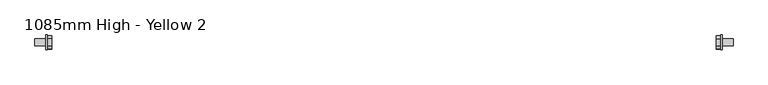
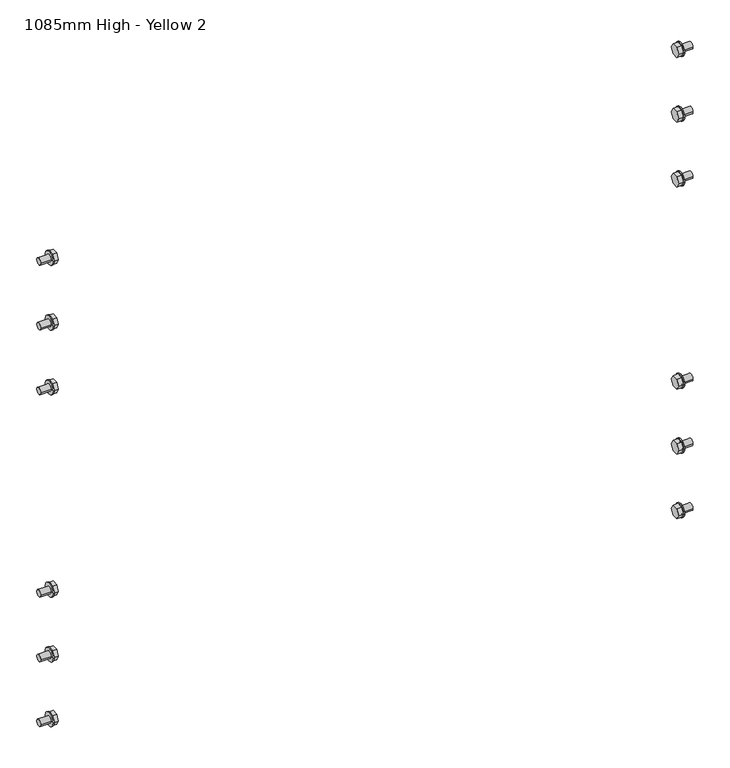
"""IFC4 building model written with IfcOpenShell, lengths in millimetres: proxy geometry, 1085mm High - Yellow 2."""

from ifc_helpers import new_model, si_unit, frame, origin, place, context, project, spatial, circle_curve, source, transform, mapped, element, save
from ifc_brep_helpers import plane_surface, cylinder_surface, advanced_brep


def proxy_1085mm_high_yellow_2_b2a6f86f(model_context):
    return source(origin(), model_context, "Body", "AdvancedBrep", [
        advanced_brep(
        [(1182.0, 6.0, 377.9554962), (1182.0, -6.0, 377.9554962), (1164.0, 6.0, 377.9554962), (1164.0, -6.0, 377.9554962), (1164.0, -12.0, 378.0), (1164.0, 12.0, 378.0), (1162.0, -12.0, 378.0), (1162.0, 12.0, 378.0), (1162.0, -5.4871529, 368.4514687), (1162.0, 5.4871529, 368.4514687), (1162.0, 10.9743057, 377.9554962), (1162.0, 5.4871529, 387.4595238), (1162.0, -5.4871529, 387.4595238), (1162.0, -10.9743057, 377.9554962), (1154.0, -5.4871529, 368.4514687), (1154.0, -10.9743057, 377.9554962), (1154.0, -5.4871529, 387.4595238), (1154.0, 5.4871529, 387.4595238), (1154.0, 10.9743057, 377.9554962), (1154.0, 5.4871529, 368.4514687)],
        [
            (0, 1, circle_curve(frame((1182.0, 0.0, 377.9554962), z_axis=(1.0, 0.0, 0.0), x_axis=(0.0, 1.0, 0.0)), 6.0)),
            (1, 0, circle_curve(frame((1182.0, 0.0, 377.9554962), z_axis=(1.0, 0.0, 0.0), x_axis=(0.0, 1.0, 0.0)), 6.0)),
            (0, 2),
            (2, 3, circle_curve(frame((1164.0, 0.0, 377.9554962), z_axis=(1.0, 0.0, 0.0), x_axis=(0.0, 1.0, 0.0)), 6.0)),
            (3, 1),
            (3, 2, circle_curve(frame((1164.0, 0.0, 377.9554962), z_axis=(1.0, 0.0, 0.0), x_axis=(0.0, 1.0, 0.0)), 6.0)),
            (4, 5, circle_curve(frame((1164.0, 0.0, 378.0), z_axis=(1.0, 0.0, 0.0), x_axis=(0.0, 1.0, 0.0)), 12.0)),
            (5, 4, circle_curve(frame((1164.0, 0.0, 378.0), z_axis=(1.0, 0.0, 0.0), x_axis=(0.0, 1.0, 0.0)), 12.0)),
            (6, 7, circle_curve(frame((1162.0, 0.0, 378.0), z_axis=(-1.0, 0.0, 0.0), x_axis=(0.0, 1.0, 0.0)), 12.0)),
            (7, 6, circle_curve(frame((1162.0, 0.0, 378.0), z_axis=(-1.0, 0.0, 0.0), x_axis=(0.0, 1.0, 0.0)), 12.0)),
            (8, 9),
            (9, 10),
            (10, 11),
            (11, 12),
            (12, 13),
            (13, 8),
            (4, 6),
            (7, 5),
            (14, 15),
            (15, 16),
            (16, 17),
            (17, 18),
            (18, 19),
            (19, 14),
            (19, 9),
            (8, 14),
            (18, 10),
            (17, 11),
            (16, 12),
            (15, 13),
        ],
        [
            plane_surface(frame((1182.0, 6.0, 377.9554962), z_axis=(1.0, 0.0, 0.0), x_axis=(0.0, 0.0, 1.0))),
            cylinder_surface(frame((1164.0, 0.0, 377.9554962), z_axis=(1.0, 0.0, 0.0), x_axis=(0.0, 1.0, 0.0)), 6.0),
            plane_surface(frame((1164.0, 12.0, 378.0), z_axis=(1.0, 0.0, 0.0), x_axis=(0.0, 0.0, 1.0))),
            plane_surface(frame((1162.0, 12.0, 378.0), z_axis=(-1.0, 0.0, 0.0), x_axis=(0.0, 0.0, -1.0))),
            cylinder_surface(frame((1162.0, 0.0, 378.0), z_axis=(1.0, 0.0, 0.0), x_axis=(0.0, 1.0, 0.0)), 12.0),
            plane_surface(frame((1154.0, -5.4871529, 368.4514687), z_axis=(-1.0, 0.0, 0.0), x_axis=(0.0, -1.0, 0.0))),
            plane_surface(frame((1164.0, -5.4871529, 368.4514687), z_axis=(0.0, 0.0, -1.0), x_axis=(-1.0, 0.0, 0.0))),
            plane_surface(frame((1164.0, 5.4871529, 368.4514687), z_axis=(0.0, 0.866025403784431, -0.5000000000000132), x_axis=(-1.0, 0.0, 0.0))),
            plane_surface(frame((1164.0, 10.9743057, 377.9554962), z_axis=(0.0, 0.8660254037844458, 0.4999999999999877), x_axis=(-1.0, 0.0, 0.0))),
            plane_surface(frame((1164.0, 5.4871529, 387.4595238), z_axis=(0.0, 0.0, 1.0), x_axis=(-1.0, 0.0, 0.0))),
            plane_surface(frame((1164.0, -5.4871529, 387.4595238), z_axis=(0.0, -0.8660254037844308, 0.5000000000000138), x_axis=(-1.0, 0.0, 0.0))),
            plane_surface(frame((1164.0, -10.9743057, 377.9554962), z_axis=(0.0, -0.8660254037844438, -0.4999999999999911), x_axis=(-1.0, 0.0, 0.0))),
        ],
        [
            (0, [[1, 2]]),
            (1, [[-1, 3, 4, 5]]),
            (1, [[-2, -5, 6, -3]]),
            (2, [[7, 8], [-4, -6]]),
            (3, [[9, 10], [11, 12, 13, 14, 15, 16]]),
            (4, [[-7, 17, -10, 18]]),
            (4, [[-8, -18, -9, -17]]),
            (5, [[19, 20, 21, 22, 23, 24]]),
            (6, [[-24, 25, -11, 26]]),
            (7, [[-23, 27, -12, -25]]),
            (8, [[-22, 28, -13, -27]]),
            (9, [[-21, 29, -14, -28]]),
            (10, [[-20, 30, -15, -29]]),
            (11, [[-19, -26, -16, -30]]),
        ],
    ),
        advanced_brep(
        [(1182.0, 6.0, 257.9554962), (1182.0, -6.0, 257.9554962), (1164.0, 6.0, 257.9554962), (1164.0, -6.0, 257.9554962), (1164.0, -12.0, 258.0), (1164.0, 12.0, 258.0), (1162.0, -12.0, 258.0), (1162.0, 12.0, 258.0), (1162.0, -5.5128471, 248.4069649), (1162.0, 5.5128471, 248.4069649), (1162.0, 11.0256943, 257.9554962), (1162.0, 5.5128471, 267.5040276), (1162.0, -5.5128471, 267.5040276), (1162.0, -11.0256943, 257.9554962), (1154.0, -5.5128471, 248.4069649), (1154.0, -11.0256943, 257.9554962), (1154.0, -5.5128471, 267.5040276), (1154.0, 5.5128471, 267.5040276), (1154.0, 11.0256943, 257.9554962), (1154.0, 5.5128471, 248.4069649)],
        [
            (0, 1, circle_curve(frame((1182.0, 0.0, 257.9554962), z_axis=(1.0, 0.0, 0.0), x_axis=(0.0, 1.0, 0.0)), 6.0)),
            (1, 0, circle_curve(frame((1182.0, 0.0, 257.9554962), z_axis=(1.0, 0.0, 0.0), x_axis=(0.0, 1.0, 0.0)), 6.0)),
            (0, 2),
            (2, 3, circle_curve(frame((1164.0, 0.0, 257.9554962), z_axis=(1.0, 0.0, 0.0), x_axis=(0.0, 1.0, 0.0)), 6.0)),
            (3, 1),
            (3, 2, circle_curve(frame((1164.0, 0.0, 257.9554962), z_axis=(1.0, 0.0, 0.0), x_axis=(0.0, 1.0, 0.0)), 6.0)),
            (4, 5, circle_curve(frame((1164.0, 0.0, 258.0), z_axis=(1.0, 0.0, 0.0), x_axis=(0.0, 1.0, 0.0)), 12.0)),
            (5, 4, circle_curve(frame((1164.0, 0.0, 258.0), z_axis=(1.0, 0.0, 0.0), x_axis=(0.0, 1.0, 0.0)), 12.0)),
            (6, 7, circle_curve(frame((1162.0, 0.0, 258.0), z_axis=(-1.0, 0.0, 0.0), x_axis=(0.0, 1.0, 0.0)), 12.0)),
            (7, 6, circle_curve(frame((1162.0, 0.0, 258.0), z_axis=(-1.0, 0.0, 0.0), x_axis=(0.0, 1.0, 0.0)), 12.0)),
            (8, 9),
            (9, 10),
            (10, 11),
            (11, 12),
            (12, 13),
            (13, 8),
            (4, 6),
            (7, 5),
            (14, 15),
            (15, 16),
            (16, 17),
            (17, 18),
            (18, 19),
            (19, 14),
            (19, 9),
            (8, 14),
            (18, 10),
            (17, 11),
            (16, 12),
            (15, 13),
        ],
        [
            plane_surface(frame((1182.0, 6.0, 377.9554962), z_axis=(1.0, 0.0, 0.0), x_axis=(0.0, 0.0, 1.0))),
            cylinder_surface(frame((1164.0, 0.0, 257.9554962), z_axis=(1.0, 0.0, 0.0), x_axis=(0.0, 1.0, 0.0)), 6.0),
            plane_surface(frame((1164.0, 12.0, 378.0), z_axis=(1.0, 0.0, 0.0), x_axis=(0.0, 0.0, 1.0))),
            plane_surface(frame((1162.0, 12.0, 378.0), z_axis=(-1.0, 0.0, 0.0), x_axis=(0.0, 0.0, -1.0))),
            cylinder_surface(frame((1164.0, 0.0, 258.0), z_axis=(1.0, 0.0, 0.0), x_axis=(0.0, 1.0, 0.0)), 12.0),
            plane_surface(frame((1154.0, -5.4871529, 368.4514687), z_axis=(-1.0, 0.0, 0.0), x_axis=(0.0, -1.0, 0.0))),
            plane_surface(frame((1164.0, -5.5128471, 248.4069649), z_axis=(0.0, 0.0, -1.0), x_axis=(-1.0, 0.0, 0.0))),
            plane_surface(frame((1164.0, 5.5128471, 248.4069649), z_axis=(0.0, 0.8660254037844325, -0.5000000000000109), x_axis=(-1.0, 0.0, 0.0))),
            plane_surface(frame((1164.0, 11.0256943, 257.9554962), z_axis=(0.0, 0.8660254037844445, 0.49999999999998995), x_axis=(-1.0, 0.0, 0.0))),
            plane_surface(frame((1164.0, 5.5128471, 267.5040276), z_axis=(0.0, 0.0, 1.0), x_axis=(-1.0, 0.0, 0.0))),
            plane_surface(frame((1164.0, -5.5128471, 267.5040276), z_axis=(0.0, -0.8660254037844318, 0.500000000000012), x_axis=(-1.0, 0.0, 0.0))),
            plane_surface(frame((1164.0, -11.0256943, 257.9554962), z_axis=(0.0, -0.8660254037844438, -0.4999999999999911), x_axis=(-1.0, 0.0, 0.0))),
        ],
        [
            (0, [[1, 2]]),
            (1, [[-1, 3, 4, 5]]),
            (1, [[-2, -5, 6, -3]]),
            (2, [[7, 8], [-4, -6]]),
            (3, [[9, 10], [11, 12, 13, 14, 15, 16]]),
            (4, [[-7, 17, -10, 18]]),
            (4, [[-8, -18, -9, -17]]),
            (5, [[19, 20, 21, 22, 23, 24]]),
            (6, [[-24, 25, -11, 26]]),
            (7, [[-23, 27, -12, -25]]),
            (8, [[-22, 28, -13, -27]]),
            (9, [[-21, 29, -14, -28]]),
            (10, [[-20, 30, -15, -29]]),
            (11, [[-19, -26, -16, -30]]),
        ],
    ),
        advanced_brep(
        [(1182.0, 6.0, 137.9554962), (1182.0, -6.0, 137.9554962), (1164.0, 6.0, 137.9554962), (1164.0, -6.0, 137.9554962), (1164.0, -12.0, 138.0), (1164.0, 12.0, 138.0), (1162.0, -12.0, 138.0), (1162.0, 12.0, 138.0), (1162.0, -5.4871529, 128.4514687), (1162.0, 5.4871529, 128.4514687), (1162.0, 10.9743057, 137.9554962), (1162.0, 5.4871529, 147.4595238), (1162.0, -5.4871529, 147.4595238), (1162.0, -10.9743057, 137.9554962), (1154.0, -5.4871529, 128.4514687), (1154.0, -10.9743057, 137.9554962), (1154.0, -5.4871529, 147.4595238), (1154.0, 5.4871529, 147.4595238), (1154.0, 10.9743057, 137.9554962), (1154.0, 5.4871529, 128.4514687)],
        [
            (0, 1, circle_curve(frame((1182.0, 0.0, 137.9554962), z_axis=(1.0, 0.0, 0.0), x_axis=(0.0, 1.0, 0.0)), 6.0)),
            (1, 0, circle_curve(frame((1182.0, 0.0, 137.9554962), z_axis=(1.0, 0.0, 0.0), x_axis=(0.0, 1.0, 0.0)), 6.0)),
            (0, 2),
            (2, 3, circle_curve(frame((1164.0, 0.0, 137.9554962), z_axis=(1.0, 0.0, 0.0), x_axis=(0.0, 1.0, 0.0)), 6.0)),
            (3, 1),
            (3, 2, circle_curve(frame((1164.0, 0.0, 137.9554962), z_axis=(1.0, 0.0, 0.0), x_axis=(0.0, 1.0, 0.0)), 6.0)),
            (4, 5, circle_curve(frame((1164.0, 0.0, 138.0), z_axis=(1.0, 0.0, 0.0), x_axis=(0.0, 1.0, 0.0)), 12.0)),
            (5, 4, circle_curve(frame((1164.0, 0.0, 138.0), z_axis=(1.0, 0.0, 0.0), x_axis=(0.0, 1.0, 0.0)), 12.0)),
            (6, 7, circle_curve(frame((1162.0, 0.0, 138.0), z_axis=(-1.0, 0.0, 0.0), x_axis=(0.0, 1.0, 0.0)), 12.0)),
            (7, 6, circle_curve(frame((1162.0, 0.0, 138.0), z_axis=(-1.0, 0.0, 0.0), x_axis=(0.0, 1.0, 0.0)), 12.0)),
            (8, 9),
            (9, 10),
            (10, 11),
            (11, 12),
            (12, 13),
            (13, 8),
            (4, 6),
            (7, 5),
            (14, 15),
            (15, 16),
            (16, 17),
            (17, 18),
            (18, 19),
            (19, 14),
            (19, 9),
            (8, 14),
            (18, 10),
            (17, 11),
            (16, 12),
            (15, 13),
        ],
        [
            plane_surface(frame((1182.0, 6.0, 377.9554962), z_axis=(1.0, 0.0, 0.0), x_axis=(0.0, 0.0, 1.0))),
            cylinder_surface(frame((1164.0, 0.0, 137.9554962), z_axis=(1.0, 0.0, 0.0), x_axis=(0.0, 1.0, 0.0)), 6.0),
            plane_surface(frame((1164.0, 12.0, 378.0), z_axis=(1.0, 0.0, 0.0), x_axis=(0.0, 0.0, 1.0))),
            plane_surface(frame((1162.0, 12.0, 378.0), z_axis=(-1.0, 0.0, 0.0), x_axis=(0.0, 0.0, -1.0))),
            cylinder_surface(frame((1164.0, 0.0, 138.0), z_axis=(1.0, 0.0, 0.0), x_axis=(0.0, 1.0, 0.0)), 12.0),
            plane_surface(frame((1154.0, -5.4871529, 368.4514687), z_axis=(-1.0, 0.0, 0.0), x_axis=(0.0, -1.0, 0.0))),
            plane_surface(frame((1164.0, -5.4871529, 128.4514687), z_axis=(0.0, 0.0, -1.0), x_axis=(-1.0, 0.0, 0.0))),
            plane_surface(frame((1164.0, 5.4871529, 128.4514687), z_axis=(0.0, 0.8660254037844333, -0.5000000000000094), x_axis=(-1.0, 0.0, 0.0))),
            plane_surface(frame((1164.0, 10.9743057, 137.9554962), z_axis=(0.0, 0.8660254037844444, 0.49999999999999006), x_axis=(-1.0, 0.0, 0.0))),
            plane_surface(frame((1164.0, 5.4871529, 147.4595238), z_axis=(0.0, 0.0, 1.0), x_axis=(-1.0, 0.0, 0.0))),
            plane_surface(frame((1164.0, -5.4871529, 147.4595238), z_axis=(0.0, -0.8660254037844314, 0.5000000000000128), x_axis=(-1.0, 0.0, 0.0))),
            plane_surface(frame((1164.0, -10.9743057, 137.9554962), z_axis=(0.0, -0.8660254037844438, -0.49999999999999123), x_axis=(-1.0, 0.0, 0.0))),
        ],
        [
            (0, [[1, 2]]),
            (1, [[-1, 3, 4, 5]]),
            (1, [[-2, -5, 6, -3]]),
            (2, [[7, 8], [-4, -6]]),
            (3, [[9, 10], [11, 12, 13, 14, 15, 16]]),
            (4, [[-7, 17, -10, 18]]),
            (4, [[-8, -18, -9, -17]]),
            (5, [[19, 20, 21, 22, 23, 24]]),
            (6, [[-24, 25, -11, 26]]),
            (7, [[-23, 27, -12, -25]]),
            (8, [[-22, 28, -13, -27]]),
            (9, [[-21, 29, -14, -28]]),
            (10, [[-20, 30, -15, -29]]),
            (11, [[-19, -26, -16, -30]]),
        ],
    ),
        advanced_brep(
        [(1182.0, -6.0, 993.0), (1182.0, 6.0, 993.0), (1164.0, -6.0, 993.0), (1164.0, 6.0, 993.0), (1164.0, -12.0, 993.0), (1164.0, 12.0, 993.0), (1162.0, -12.0, 993.0), (1162.0, 12.0, 993.0), (1162.0, -5.5, 983.4737206), (1162.0, 5.5, 983.4737206), (1162.0, 11.0, 993.0), (1162.0, 5.5, 1002.5262794), (1162.0, -5.5, 1002.5262794), (1162.0, -11.0, 993.0), (1154.0, -5.5, 983.4737206), (1154.0, -11.0, 993.0), (1154.0, -5.5, 1002.5262794), (1154.0, 5.5, 1002.5262794), (1154.0, 11.0, 993.0), (1154.0, 5.5, 983.4737206)],
        [
            (0, 1, circle_curve(frame((1182.0, 0.0, 993.0), z_axis=(1.0, 0.0, 0.0), x_axis=(0.0, 1.0, 0.0)), 6.0)),
            (1, 0, circle_curve(frame((1182.0, 0.0, 993.0), z_axis=(1.0, 0.0, 0.0), x_axis=(0.0, 1.0, 0.0)), 6.0)),
            (0, 2),
            (2, 3, circle_curve(frame((1164.0, 0.0, 993.0), z_axis=(1.0, 0.0, 0.0), x_axis=(0.0, 1.0, 0.0)), 6.0)),
            (3, 1),
            (3, 2, circle_curve(frame((1164.0, 0.0, 993.0), z_axis=(1.0, 0.0, 0.0), x_axis=(0.0, 1.0, 0.0)), 6.0)),
            (4, 5, circle_curve(frame((1164.0, 0.0, 993.0), z_axis=(1.0, 0.0, 0.0), x_axis=(0.0, 1.0, 0.0)), 12.0)),
            (5, 4, circle_curve(frame((1164.0, 0.0, 993.0), z_axis=(1.0, 0.0, 0.0), x_axis=(0.0, 1.0, 0.0)), 12.0)),
            (6, 7, circle_curve(frame((1162.0, 0.0, 993.0), z_axis=(-1.0, 0.0, 0.0), x_axis=(0.0, 1.0, 0.0)), 12.0)),
            (7, 6, circle_curve(frame((1162.0, 0.0, 993.0), z_axis=(-1.0, 0.0, 0.0), x_axis=(0.0, 1.0, 0.0)), 12.0)),
            (8, 9),
            (9, 10),
            (10, 11),
            (11, 12),
            (12, 13),
            (13, 8),
            (4, 6),
            (7, 5),
            (14, 15),
            (15, 16),
            (16, 17),
            (17, 18),
            (18, 19),
            (19, 14),
            (19, 9),
            (8, 14),
            (18, 10),
            (17, 11),
            (16, 12),
            (15, 13),
        ],
        [
            plane_surface(frame((1182.0, 6.0, 993.0), z_axis=(1.0, 0.0, 0.0), x_axis=(0.0, 0.0, 1.0))),
            cylinder_surface(frame((1164.0, 0.0, 993.0), z_axis=(1.0, 0.0, 0.0), x_axis=(0.0, 1.0, 0.0)), 6.0),
            plane_surface(frame((1164.0, 12.0, 993.0), z_axis=(1.0, 0.0, 0.0), x_axis=(0.0, 0.0, 1.0))),
            plane_surface(frame((1162.0, 12.0, 993.0), z_axis=(-1.0, 0.0, 0.0), x_axis=(0.0, 0.0, -1.0))),
            cylinder_surface(frame((1162.0, 0.0, 993.0), z_axis=(1.0, 0.0, 0.0), x_axis=(0.0, 1.0, 0.0)), 12.0),
            plane_surface(frame((1154.0, -5.5, 983.4737206), z_axis=(-1.0, 0.0, 0.0), x_axis=(0.0, -1.0, 0.0))),
            plane_surface(frame((1164.0, -5.5, 983.4737206), z_axis=(0.0, 0.0, -1.0), x_axis=(-1.0, 0.0, 0.0))),
            plane_surface(frame((1164.0, 5.5, 983.4737206), z_axis=(0.0, 0.8660254037844374, -0.5000000000000022), x_axis=(-1.0, 0.0, 0.0))),
            plane_surface(frame((1164.0, 11.0, 993.0), z_axis=(0.0, 0.8660254037844396, 0.4999999999999984), x_axis=(-1.0, 0.0, 0.0))),
            plane_surface(frame((1164.0, 5.5, 1002.5262794), z_axis=(0.0, 0.0, 1.0), x_axis=(-1.0, 0.0, 0.0))),
            plane_surface(frame((1164.0, -5.5, 1002.5262794), z_axis=(0.0, -0.8660254037844362, 0.5000000000000046), x_axis=(-1.0, 0.0, 0.0))),
            plane_surface(frame((1164.0, -11.0, 993.0), z_axis=(0.0, -0.8660254037844386, -0.5000000000000003), x_axis=(-1.0, 0.0, 0.0))),
        ],
        [
            (0, [[1, 2]]),
            (1, [[-1, 3, 4, 5]]),
            (1, [[-2, -5, 6, -3]]),
            (2, [[7, 8], [-4, -6]]),
            (3, [[9, 10], [11, 12, 13, 14, 15, 16]]),
            (4, [[-7, 17, -10, 18]]),
            (4, [[-8, -18, -9, -17]]),
            (5, [[19, 20, 21, 22, 23, 24]]),
            (6, [[-24, 25, -11, 26]]),
            (7, [[-23, 27, -12, -25]]),
            (8, [[-22, 28, -13, -27]]),
            (9, [[-21, 29, -14, -28]]),
            (10, [[-20, 30, -15, -29]]),
            (11, [[-19, -26, -16, -30]]),
        ],
    ),
        advanced_brep(
        [(1182.0, -6.0, 873.0), (1182.0, 6.0, 873.0), (1164.0, -6.0, 873.0), (1164.0, 6.0, 873.0), (1164.0, -12.0, 873.0), (1164.0, 12.0, 873.0), (1162.0, -12.0, 873.0), (1162.0, 12.0, 873.0), (1162.0, -5.5, 863.4737206), (1162.0, 5.5, 863.4737206), (1162.0, 11.0, 873.0), (1162.0, 5.5, 882.5262794), (1162.0, -5.5, 882.5262794), (1162.0, -11.0, 873.0), (1154.0, -5.5, 863.4737206), (1154.0, -11.0, 873.0), (1154.0, -5.5, 882.5262794), (1154.0, 5.5, 882.5262794), (1154.0, 11.0, 873.0), (1154.0, 5.5, 863.4737206)],
        [
            (0, 1, circle_curve(frame((1182.0, 0.0, 873.0), z_axis=(1.0, 0.0, 0.0), x_axis=(0.0, 1.0, 0.0)), 6.0)),
            (1, 0, circle_curve(frame((1182.0, 0.0, 873.0), z_axis=(1.0, 0.0, 0.0), x_axis=(0.0, 1.0, 0.0)), 6.0)),
            (0, 2),
            (2, 3, circle_curve(frame((1164.0, 0.0, 873.0), z_axis=(1.0, 0.0, 0.0), x_axis=(0.0, 1.0, 0.0)), 6.0)),
            (3, 1),
            (3, 2, circle_curve(frame((1164.0, 0.0, 873.0), z_axis=(1.0, 0.0, 0.0), x_axis=(0.0, 1.0, 0.0)), 6.0)),
            (4, 5, circle_curve(frame((1164.0, 0.0, 873.0), z_axis=(1.0, 0.0, 0.0), x_axis=(0.0, 1.0, 0.0)), 12.0)),
            (5, 4, circle_curve(frame((1164.0, 0.0, 873.0), z_axis=(1.0, 0.0, 0.0), x_axis=(0.0, 1.0, 0.0)), 12.0)),
            (6, 7, circle_curve(frame((1162.0, 0.0, 873.0), z_axis=(-1.0, 0.0, 0.0), x_axis=(0.0, 1.0, 0.0)), 12.0)),
            (7, 6, circle_curve(frame((1162.0, 0.0, 873.0), z_axis=(-1.0, 0.0, 0.0), x_axis=(0.0, 1.0, 0.0)), 12.0)),
            (8, 9),
            (9, 10),
            (10, 11),
            (11, 12),
            (12, 13),
            (13, 8),
            (4, 6),
            (7, 5),
            (14, 15),
            (15, 16),
            (16, 17),
            (17, 18),
            (18, 19),
            (19, 14),
            (19, 9),
            (8, 14),
            (18, 10),
            (17, 11),
            (16, 12),
            (15, 13),
        ],
        [
            plane_surface(frame((1182.0, 6.0, 993.0), z_axis=(1.0, 0.0, 0.0), x_axis=(0.0, 0.0, 1.0))),
            cylinder_surface(frame((1164.0, 0.0, 873.0), z_axis=(1.0, 0.0, 0.0), x_axis=(0.0, 1.0, 0.0)), 6.0),
            plane_surface(frame((1164.0, 12.0, 993.0), z_axis=(1.0, 0.0, 0.0), x_axis=(0.0, 0.0, 1.0))),
            plane_surface(frame((1162.0, 12.0, 993.0), z_axis=(-1.0, 0.0, 0.0), x_axis=(0.0, 0.0, -1.0))),
            cylinder_surface(frame((1164.0, 0.0, 873.0), z_axis=(1.0, 0.0, 0.0), x_axis=(0.0, 1.0, 0.0)), 12.0),
            plane_surface(frame((1154.0, -5.5, 983.4737206), z_axis=(-1.0, 0.0, 0.0), x_axis=(0.0, -1.0, 0.0))),
            plane_surface(frame((1164.0, -5.5, 863.4737206), z_axis=(0.0, 0.0, -1.0), x_axis=(-1.0, 0.0, 0.0))),
            plane_surface(frame((1164.0, 5.5, 863.4737206), z_axis=(0.0, 0.8660254037844377, -0.5000000000000018), x_axis=(-1.0, 0.0, 0.0))),
            plane_surface(frame((1164.0, 11.0, 873.0), z_axis=(0.0, 0.86602540378444, 0.4999999999999978), x_axis=(-1.0, 0.0, 0.0))),
            plane_surface(frame((1164.0, 5.5, 882.5262794), z_axis=(0.0, 0.0, 1.0), x_axis=(-1.0, 0.0, 0.0))),
            plane_surface(frame((1164.0, -5.5, 882.5262794), z_axis=(0.0, -0.8660254037844367, 0.5000000000000036), x_axis=(-1.0, 0.0, 0.0))),
            plane_surface(frame((1164.0, -11.0, 873.0), z_axis=(0.0, -0.8660254037844389, -0.4999999999999995), x_axis=(-1.0, 0.0, 0.0))),
        ],
        [
            (0, [[1, 2]]),
            (1, [[-1, 3, 4, 5]]),
            (1, [[-2, -5, 6, -3]]),
            (2, [[7, 8], [-4, -6]]),
            (3, [[9, 10], [11, 12, 13, 14, 15, 16]]),
            (4, [[-7, 17, -10, 18]]),
            (4, [[-8, -18, -9, -17]]),
            (5, [[19, 20, 21, 22, 23, 24]]),
            (6, [[-24, 25, -11, 26]]),
            (7, [[-23, 27, -12, -25]]),
            (8, [[-22, 28, -13, -27]]),
            (9, [[-21, 29, -14, -28]]),
            (10, [[-20, 30, -15, -29]]),
            (11, [[-19, -26, -16, -30]]),
        ],
    ),
        advanced_brep(
        [(1182.0, -6.0, 753.0), (1182.0, 6.0, 753.0), (1164.0, -6.0, 753.0), (1164.0, 6.0, 753.0), (1164.0, -12.0, 753.0), (1164.0, 12.0, 753.0), (1162.0, -12.0, 753.0), (1162.0, 12.0, 753.0), (1162.0, -5.5, 743.4737206), (1162.0, 5.5, 743.4737206), (1162.0, 11.0, 753.0), (1162.0, 5.5, 762.5262794), (1162.0, -5.5, 762.5262794), (1162.0, -11.0, 753.0), (1154.0, -5.5, 743.4737206), (1154.0, -11.0, 753.0), (1154.0, -5.5, 762.5262794), (1154.0, 5.5, 762.5262794), (1154.0, 11.0, 753.0), (1154.0, 5.5, 743.4737206)],
        [
            (0, 1, circle_curve(frame((1182.0, 0.0, 753.0), z_axis=(1.0, 0.0, 0.0), x_axis=(0.0, 1.0, 0.0)), 6.0)),
            (1, 0, circle_curve(frame((1182.0, 0.0, 753.0), z_axis=(1.0, 0.0, 0.0), x_axis=(0.0, 1.0, 0.0)), 6.0)),
            (0, 2),
            (2, 3, circle_curve(frame((1164.0, 0.0, 753.0), z_axis=(1.0, 0.0, 0.0), x_axis=(0.0, 1.0, 0.0)), 6.0)),
            (3, 1),
            (3, 2, circle_curve(frame((1164.0, 0.0, 753.0), z_axis=(1.0, 0.0, 0.0), x_axis=(0.0, 1.0, 0.0)), 6.0)),
            (4, 5, circle_curve(frame((1164.0, 0.0, 753.0), z_axis=(1.0, 0.0, 0.0), x_axis=(0.0, 1.0, 0.0)), 12.0)),
            (5, 4, circle_curve(frame((1164.0, 0.0, 753.0), z_axis=(1.0, 0.0, 0.0), x_axis=(0.0, 1.0, 0.0)), 12.0)),
            (6, 7, circle_curve(frame((1162.0, 0.0, 753.0), z_axis=(-1.0, 0.0, 0.0), x_axis=(0.0, 1.0, 0.0)), 12.0)),
            (7, 6, circle_curve(frame((1162.0, 0.0, 753.0), z_axis=(-1.0, 0.0, 0.0), x_axis=(0.0, 1.0, 0.0)), 12.0)),
            (8, 9),
            (9, 10),
            (10, 11),
            (11, 12),
            (12, 13),
            (13, 8),
            (4, 6),
            (7, 5),
            (14, 15),
            (15, 16),
            (16, 17),
            (17, 18),
            (18, 19),
            (19, 14),
            (19, 9),
            (8, 14),
            (18, 10),
            (17, 11),
            (16, 12),
            (15, 13),
        ],
        [
            plane_surface(frame((1182.0, 6.0, 993.0), z_axis=(1.0, 0.0, 0.0), x_axis=(0.0, 0.0, 1.0))),
            cylinder_surface(frame((1164.0, 0.0, 753.0), z_axis=(1.0, 0.0, 0.0), x_axis=(0.0, 1.0, 0.0)), 6.0),
            plane_surface(frame((1164.0, 12.0, 993.0), z_axis=(1.0, 0.0, 0.0), x_axis=(0.0, 0.0, 1.0))),
            plane_surface(frame((1162.0, 12.0, 993.0), z_axis=(-1.0, 0.0, 0.0), x_axis=(0.0, 0.0, -1.0))),
            cylinder_surface(frame((1164.0, 0.0, 753.0), z_axis=(1.0, 0.0, 0.0), x_axis=(0.0, 1.0, 0.0)), 12.0),
            plane_surface(frame((1154.0, -5.5, 983.4737206), z_axis=(-1.0, 0.0, 0.0), x_axis=(0.0, -1.0, 0.0))),
            plane_surface(frame((1164.0, -5.5, 743.4737206), z_axis=(0.0, 0.0, -1.0), x_axis=(-1.0, 0.0, 0.0))),
            plane_surface(frame((1164.0, 5.5, 743.4737206), z_axis=(0.0, 0.8660254037844375, -0.5000000000000021), x_axis=(-1.0, 0.0, 0.0))),
            plane_surface(frame((1164.0, 11.0, 753.0), z_axis=(0.0, 0.8660254037844397, 0.4999999999999983), x_axis=(-1.0, 0.0, 0.0))),
            plane_surface(frame((1164.0, 5.5, 762.5262794), z_axis=(0.0, 0.0, 1.0), x_axis=(-1.0, 0.0, 0.0))),
            plane_surface(frame((1164.0, -5.5, 762.5262794), z_axis=(0.0, -0.8660254037844362, 0.5000000000000043), x_axis=(-1.0, 0.0, 0.0))),
            plane_surface(frame((1164.0, -11.0, 753.0), z_axis=(0.0, -0.8660254037844386, -0.5000000000000003), x_axis=(-1.0, 0.0, 0.0))),
        ],
        [
            (0, [[1, 2]]),
            (1, [[-1, 3, 4, 5]]),
            (1, [[-2, -5, 6, -3]]),
            (2, [[7, 8], [-4, -6]]),
            (3, [[9, 10], [11, 12, 13, 14, 15, 16]]),
            (4, [[-7, 17, -10, 18]]),
            (4, [[-8, -18, -9, -17]]),
            (5, [[19, 20, 21, 22, 23, 24]]),
            (6, [[-24, 25, -11, 26]]),
            (7, [[-23, 27, -12, -25]]),
            (8, [[-22, 28, -13, -27]]),
            (9, [[-21, 29, -14, -28]]),
            (10, [[-20, 30, -15, -29]]),
            (11, [[-19, -26, -16, -30]]),
        ],
    ),
        advanced_brep(
        [(38.0, 6.0, 377.9554962), (38.0, -6.0, 377.9554962), (56.0, -6.0, 377.9554962), (56.0, 6.0, 377.9554962), (58.0, -12.0, 378.0), (58.0, 12.0, 378.0), (58.0, -5.5, 387.5262794), (58.0, 5.5, 387.5262794), (58.0, 11.0, 378.0), (58.0, 5.5, 368.4737206), (58.0, -5.5, 368.4737206), (58.0, -11.0, 378.0), (56.0, -12.0, 378.0), (56.0, 12.0, 378.0), (66.0, 5.5, 387.5262794), (66.0, -5.5, 387.5262794), (66.0, -11.0, 378.0), (66.0, -5.5, 368.4737206), (66.0, 5.5, 368.4737206), (66.0, 11.0, 378.0)],
        [
            (0, 1, circle_curve(frame((38.0, 0.0, 377.9554962), z_axis=(-1.0, 0.0, 0.0), x_axis=(0.0, 1.0, 0.0)), 6.0)),
            (1, 0, circle_curve(frame((38.0, 0.0, 377.9554962), z_axis=(-1.0, 0.0, 0.0), x_axis=(0.0, 1.0, 0.0)), 6.0)),
            (1, 2),
            (2, 3, circle_curve(frame((56.0, 0.0, 377.9554962), z_axis=(-1.0, 0.0, 0.0), x_axis=(0.0, 1.0, 0.0)), 6.0)),
            (3, 0),
            (3, 2, circle_curve(frame((56.0, 0.0, 377.9554962), z_axis=(-1.0, 0.0, 0.0), x_axis=(0.0, 1.0, 0.0)), 6.0)),
            (4, 5, circle_curve(frame((58.0, 0.0, 378.0), z_axis=(1.0, 0.0, 0.0), x_axis=(0.0, 1.0, 0.0)), 12.0)),
            (5, 4, circle_curve(frame((58.0, 0.0, 378.0), z_axis=(1.0, 0.0, 0.0), x_axis=(0.0, 1.0, 0.0)), 12.0)),
            (6, 7),
            (7, 8),
            (8, 9),
            (9, 10),
            (10, 11),
            (11, 6),
            (12, 13, circle_curve(frame((56.0, 0.0, 378.0), z_axis=(-1.0, 0.0, 0.0), x_axis=(0.0, 1.0, 0.0)), 12.0)),
            (13, 12, circle_curve(frame((56.0, 0.0, 378.0), z_axis=(-1.0, 0.0, 0.0), x_axis=(0.0, 1.0, 0.0)), 12.0)),
            (4, 12),
            (13, 5),
            (14, 15),
            (15, 16),
            (16, 17),
            (17, 18),
            (18, 19),
            (19, 14),
            (14, 7),
            (6, 15),
            (11, 16),
            (10, 17),
            (9, 18),
            (8, 19),
        ],
        [
            plane_surface(frame((38.0, 6.0, 377.9554962), z_axis=(-1.0, 0.0, 0.0), x_axis=(0.0, 0.0, -1.0))),
            cylinder_surface(frame((38.0, 0.0, 377.9554962), z_axis=(1.0, 0.0, 0.0), x_axis=(0.0, 1.0, 0.0)), 6.0),
            plane_surface(frame((58.0, 12.0, 378.0), z_axis=(1.0, 0.0, 0.0), x_axis=(0.0, 0.0, 1.0))),
            plane_surface(frame((56.0, 12.0, 378.0), z_axis=(-1.0, 0.0, 0.0), x_axis=(0.0, 0.0, -1.0))),
            cylinder_surface(frame((56.0, 0.0, 378.0), z_axis=(1.0, 0.0, 0.0), x_axis=(0.0, 1.0, 0.0)), 12.0),
            plane_surface(frame((66.0, 5.5, 387.5262794), z_axis=(1.0, 0.0, 0.0), x_axis=(0.0, -1.0, 0.0))),
            plane_surface(frame((66.0, 5.5, 387.5262794), z_axis=(0.0, 0.0, 1.0), x_axis=(-1.0, 0.0, 0.0))),
            plane_surface(frame((66.0, -5.5, 387.5262794), z_axis=(0.0, -0.8660254037844315, 0.5000000000000124), x_axis=(-1.0, 0.0, 0.0))),
            plane_surface(frame((66.0, -11.0, 378.0), z_axis=(0.0, -0.8660254037844463, -0.4999999999999869), x_axis=(-1.0, 0.0, 0.0))),
            plane_surface(frame((66.0, -5.5, 368.4737206), z_axis=(0.0, 0.0, -1.0), x_axis=(-1.0, 0.0, 0.0))),
            plane_surface(frame((66.0, 5.5, 368.4737206), z_axis=(0.0, 0.8660254037844295, -0.500000000000016), x_axis=(-1.0, 0.0, 0.0))),
            plane_surface(frame((66.0, 11.0, 378.0), z_axis=(0.0, 0.8660254037844443, 0.4999999999999903), x_axis=(-1.0, 0.0, 0.0))),
        ],
        [
            (0, [[1, 2]]),
            (1, [[-2, 3, 4, 5]]),
            (1, [[-1, -5, 6, -3]]),
            (2, [[7, 8], [9, 10, 11, 12, 13, 14]]),
            (3, [[15, 16], [-4, -6]]),
            (4, [[-7, 17, -16, 18]]),
            (4, [[-8, -18, -15, -17]]),
            (5, [[19, 20, 21, 22, 23, 24]]),
            (6, [[-19, 25, -9, 26]]),
            (7, [[-20, -26, -14, 27]]),
            (8, [[-21, -27, -13, 28]]),
            (9, [[-22, -28, -12, 29]]),
            (10, [[-23, -29, -11, 30]]),
            (11, [[-24, -30, -10, -25]]),
        ],
    ),
        advanced_brep(
        [(38.0, 6.0, 257.9554962), (38.0, -6.0, 257.9554962), (56.0, -6.0, 257.9554962), (56.0, 6.0, 257.9554962), (58.0, -12.0, 258.0), (58.0, 12.0, 258.0), (58.0, -5.5128471, 267.5040276), (58.0, 5.5128471, 267.5040276), (58.0, 11.0256943, 257.9554962), (58.0, 5.5128471, 248.4069649), (58.0, -5.5128471, 248.4069649), (58.0, -11.0256943, 257.9554962), (56.0, -12.0, 258.0), (56.0, 12.0, 258.0), (66.0, 5.5128471, 267.5040276), (66.0, -5.5128471, 267.5040276), (66.0, -11.0256943, 257.9554962), (66.0, -5.5128471, 248.4069649), (66.0, 5.5128471, 248.4069649), (66.0, 11.0256943, 257.9554962)],
        [
            (0, 1, circle_curve(frame((38.0, 0.0, 257.9554962), z_axis=(-1.0, 0.0, 0.0), x_axis=(0.0, 1.0, 0.0)), 6.0)),
            (1, 0, circle_curve(frame((38.0, 0.0, 257.9554962), z_axis=(-1.0, 0.0, 0.0), x_axis=(0.0, 1.0, 0.0)), 6.0)),
            (1, 2),
            (2, 3, circle_curve(frame((56.0, 0.0, 257.9554962), z_axis=(-1.0, 0.0, 0.0), x_axis=(0.0, 1.0, 0.0)), 6.0)),
            (3, 0),
            (3, 2, circle_curve(frame((56.0, 0.0, 257.9554962), z_axis=(-1.0, 0.0, 0.0), x_axis=(0.0, 1.0, 0.0)), 6.0)),
            (4, 5, circle_curve(frame((58.0, 0.0, 258.0), z_axis=(1.0, 0.0, 0.0), x_axis=(0.0, 1.0, 0.0)), 12.0)),
            (5, 4, circle_curve(frame((58.0, 0.0, 258.0), z_axis=(1.0, 0.0, 0.0), x_axis=(0.0, 1.0, 0.0)), 12.0)),
            (6, 7),
            (7, 8),
            (8, 9),
            (9, 10),
            (10, 11),
            (11, 6),
            (12, 13, circle_curve(frame((56.0, 0.0, 258.0), z_axis=(-1.0, 0.0, 0.0), x_axis=(0.0, 1.0, 0.0)), 12.0)),
            (13, 12, circle_curve(frame((56.0, 0.0, 258.0), z_axis=(-1.0, 0.0, 0.0), x_axis=(0.0, 1.0, 0.0)), 12.0)),
            (4, 12),
            (13, 5),
            (14, 15),
            (15, 16),
            (16, 17),
            (17, 18),
            (18, 19),
            (19, 14),
            (14, 7),
            (6, 15),
            (11, 16),
            (10, 17),
            (9, 18),
            (8, 19),
        ],
        [
            plane_surface(frame((38.0, 6.0, 377.9554962), z_axis=(-1.0, 0.0, 0.0), x_axis=(0.0, 0.0, -1.0))),
            cylinder_surface(frame((56.0, 0.0, 257.9554962), z_axis=(1.0, 0.0, 0.0), x_axis=(0.0, 1.0, 0.0)), 6.0),
            plane_surface(frame((58.0, 12.0, 378.0), z_axis=(1.0, 0.0, 0.0), x_axis=(0.0, 0.0, 1.0))),
            plane_surface(frame((56.0, 12.0, 378.0), z_axis=(-1.0, 0.0, 0.0), x_axis=(0.0, 0.0, -1.0))),
            cylinder_surface(frame((56.0, 0.0, 258.0), z_axis=(1.0, 0.0, 0.0), x_axis=(0.0, 1.0, 0.0)), 12.0),
            plane_surface(frame((66.0, 5.5, 387.5262794), z_axis=(1.0, 0.0, 0.0), x_axis=(0.0, -1.0, 0.0))),
            plane_surface(frame((66.0, 5.5128471, 267.5040276), z_axis=(0.0, 0.0, 1.0), x_axis=(-1.0, 0.0, 0.0))),
            plane_surface(frame((66.0, -5.5128471, 267.5040276), z_axis=(0.0, -0.8660254037844328, 0.5000000000000102), x_axis=(-1.0, 0.0, 0.0))),
            plane_surface(frame((66.0, -11.0256943, 257.9554962), z_axis=(0.0, -0.8660254037844448, -0.4999999999999895), x_axis=(-1.0, 0.0, 0.0))),
            plane_surface(frame((66.0, -5.5128471, 248.4069649), z_axis=(0.0, 0.0, -1.0), x_axis=(-1.0, 0.0, 0.0))),
            plane_surface(frame((66.0, 5.5128471, 248.4069649), z_axis=(0.0, 0.8660254037844315, -0.5000000000000125), x_axis=(-1.0, 0.0, 0.0))),
            plane_surface(frame((66.0, 11.0256943, 257.9554962), z_axis=(0.0, 0.8660254037844435, 0.49999999999999173), x_axis=(-1.0, 0.0, 0.0))),
        ],
        [
            (0, [[1, 2]]),
            (1, [[-2, 3, 4, 5]]),
            (1, [[-1, -5, 6, -3]]),
            (2, [[7, 8], [9, 10, 11, 12, 13, 14]]),
            (3, [[15, 16], [-4, -6]]),
            (4, [[-7, 17, -16, 18]]),
            (4, [[-8, -18, -15, -17]]),
            (5, [[19, 20, 21, 22, 23, 24]]),
            (6, [[-19, 25, -9, 26]]),
            (7, [[-20, -26, -14, 27]]),
            (8, [[-21, -27, -13, 28]]),
            (9, [[-22, -28, -12, 29]]),
            (10, [[-23, -29, -11, 30]]),
            (11, [[-24, -30, -10, -25]]),
        ],
    ),
        advanced_brep(
        [(38.0, 6.0, 137.9554962), (38.0, -6.0, 137.9554962), (56.0, -6.0, 137.9554962), (56.0, 6.0, 137.9554962), (58.0, -12.0, 138.0), (58.0, 12.0, 138.0), (58.0, -5.5, 147.5262794), (58.0, 5.5, 147.5262794), (58.0, 11.0, 138.0), (58.0, 5.5, 128.4737206), (58.0, -5.5, 128.4737206), (58.0, -11.0, 138.0), (56.0, -12.0, 138.0), (56.0, 12.0, 138.0), (66.0, 5.5, 147.5262794), (66.0, -5.5, 147.5262794), (66.0, -11.0, 138.0), (66.0, -5.5, 128.4737206), (66.0, 5.5, 128.4737206), (66.0, 11.0, 138.0)],
        [
            (0, 1, circle_curve(frame((38.0, 0.0, 137.9554962), z_axis=(-1.0, 0.0, 0.0), x_axis=(0.0, 1.0, 0.0)), 6.0)),
            (1, 0, circle_curve(frame((38.0, 0.0, 137.9554962), z_axis=(-1.0, 0.0, 0.0), x_axis=(0.0, 1.0, 0.0)), 6.0)),
            (1, 2),
            (2, 3, circle_curve(frame((56.0, 0.0, 137.9554962), z_axis=(-1.0, 0.0, 0.0), x_axis=(0.0, 1.0, 0.0)), 6.0)),
            (3, 0),
            (3, 2, circle_curve(frame((56.0, 0.0, 137.9554962), z_axis=(-1.0, 0.0, 0.0), x_axis=(0.0, 1.0, 0.0)), 6.0)),
            (4, 5, circle_curve(frame((58.0, 0.0, 138.0), z_axis=(1.0, 0.0, 0.0), x_axis=(0.0, 1.0, 0.0)), 12.0)),
            (5, 4, circle_curve(frame((58.0, 0.0, 138.0), z_axis=(1.0, 0.0, 0.0), x_axis=(0.0, 1.0, 0.0)), 12.0)),
            (6, 7),
            (7, 8),
            (8, 9),
            (9, 10),
            (10, 11),
            (11, 6),
            (12, 13, circle_curve(frame((56.0, 0.0, 138.0), z_axis=(-1.0, 0.0, 0.0), x_axis=(0.0, 1.0, 0.0)), 12.0)),
            (13, 12, circle_curve(frame((56.0, 0.0, 138.0), z_axis=(-1.0, 0.0, 0.0), x_axis=(0.0, 1.0, 0.0)), 12.0)),
            (4, 12),
            (13, 5),
            (14, 15),
            (15, 16),
            (16, 17),
            (17, 18),
            (18, 19),
            (19, 14),
            (14, 7),
            (6, 15),
            (11, 16),
            (10, 17),
            (9, 18),
            (8, 19),
        ],
        [
            plane_surface(frame((38.0, 6.0, 377.9554962), z_axis=(-1.0, 0.0, 0.0), x_axis=(0.0, 0.0, -1.0))),
            cylinder_surface(frame((56.0, 0.0, 137.9554962), z_axis=(1.0, 0.0, 0.0), x_axis=(0.0, 1.0, 0.0)), 6.0),
            plane_surface(frame((58.0, 12.0, 378.0), z_axis=(1.0, 0.0, 0.0), x_axis=(0.0, 0.0, 1.0))),
            plane_surface(frame((56.0, 12.0, 378.0), z_axis=(-1.0, 0.0, 0.0), x_axis=(0.0, 0.0, -1.0))),
            cylinder_surface(frame((56.0, 0.0, 138.0), z_axis=(1.0, 0.0, 0.0), x_axis=(0.0, 1.0, 0.0)), 12.0),
            plane_surface(frame((66.0, 5.5, 387.5262794), z_axis=(1.0, 0.0, 0.0), x_axis=(0.0, -1.0, 0.0))),
            plane_surface(frame((66.0, 5.5, 147.5262794), z_axis=(0.0, 0.0, 1.0), x_axis=(-1.0, 0.0, 0.0))),
            plane_surface(frame((66.0, -5.5, 147.5262794), z_axis=(0.0, -0.8660254037844329, 0.5000000000000099), x_axis=(-1.0, 0.0, 0.0))),
            plane_surface(frame((66.0, -11.0, 138.0), z_axis=(0.0, -0.8660254037844447, -0.49999999999998973), x_axis=(-1.0, 0.0, 0.0))),
            plane_surface(frame((66.0, -5.5, 128.4737206), z_axis=(0.0, 0.0, -1.0), x_axis=(-1.0, 0.0, 0.0))),
            plane_surface(frame((66.0, 5.5, 128.4737206), z_axis=(0.0, 0.8660254037844315, -0.5000000000000125), x_axis=(-1.0, 0.0, 0.0))),
            plane_surface(frame((66.0, 11.0, 138.0), z_axis=(0.0, 0.8660254037844436, 0.4999999999999916), x_axis=(-1.0, 0.0, 0.0))),
        ],
        [
            (0, [[1, 2]]),
            (1, [[-2, 3, 4, 5]]),
            (1, [[-1, -5, 6, -3]]),
            (2, [[7, 8], [9, 10, 11, 12, 13, 14]]),
            (3, [[15, 16], [-4, -6]]),
            (4, [[-7, 17, -16, 18]]),
            (4, [[-8, -18, -15, -17]]),
            (5, [[19, 20, 21, 22, 23, 24]]),
            (6, [[-19, 25, -9, 26]]),
            (7, [[-20, -26, -14, 27]]),
            (8, [[-21, -27, -13, 28]]),
            (9, [[-22, -28, -12, 29]]),
            (10, [[-23, -29, -11, 30]]),
            (11, [[-24, -30, -10, -25]]),
        ],
    ),
        advanced_brep(
        [(38.0, 6.0, 993.0), (38.0, -6.0, 993.0), (56.0, -6.0, 993.0), (56.0, 6.0, 993.0), (58.0, -12.0, 993.0), (58.0, 12.0, 993.0), (58.0, -5.5, 1002.5262794), (58.0, 5.5, 1002.5262794), (58.0, 11.0, 993.0), (58.0, 5.5, 983.4737206), (58.0, -5.5, 983.4737206), (58.0, -11.0, 993.0), (56.0, -12.0, 993.0), (56.0, 12.0, 993.0), (66.0, 5.5, 1002.5262794), (66.0, -5.5, 1002.5262794), (66.0, -11.0, 993.0), (66.0, -5.5, 983.4737206), (66.0, 5.5, 983.4737206), (66.0, 11.0, 993.0)],
        [
            (0, 1, circle_curve(frame((38.0, 0.0, 993.0), z_axis=(-1.0, 0.0, 0.0), x_axis=(0.0, 1.0, 0.0)), 6.0)),
            (1, 0, circle_curve(frame((38.0, 0.0, 993.0), z_axis=(-1.0, 0.0, 0.0), x_axis=(0.0, 1.0, 0.0)), 6.0)),
            (1, 2),
            (2, 3, circle_curve(frame((56.0, 0.0, 993.0), z_axis=(-1.0, 0.0, 0.0), x_axis=(0.0, 1.0, 0.0)), 6.0)),
            (3, 0),
            (3, 2, circle_curve(frame((56.0, 0.0, 993.0), z_axis=(-1.0, 0.0, 0.0), x_axis=(0.0, 1.0, 0.0)), 6.0)),
            (4, 5, circle_curve(frame((58.0, 0.0, 993.0), z_axis=(1.0, 0.0, 0.0), x_axis=(0.0, 1.0, 0.0)), 12.0)),
            (5, 4, circle_curve(frame((58.0, 0.0, 993.0), z_axis=(1.0, 0.0, 0.0), x_axis=(0.0, 1.0, 0.0)), 12.0)),
            (6, 7),
            (7, 8),
            (8, 9),
            (9, 10),
            (10, 11),
            (11, 6),
            (12, 13, circle_curve(frame((56.0, 0.0, 993.0), z_axis=(-1.0, 0.0, 0.0), x_axis=(0.0, 1.0, 0.0)), 12.0)),
            (13, 12, circle_curve(frame((56.0, 0.0, 993.0), z_axis=(-1.0, 0.0, 0.0), x_axis=(0.0, 1.0, 0.0)), 12.0)),
            (4, 12),
            (13, 5),
            (14, 15),
            (15, 16),
            (16, 17),
            (17, 18),
            (18, 19),
            (19, 14),
            (14, 7),
            (6, 15),
            (11, 16),
            (10, 17),
            (9, 18),
            (8, 19),
        ],
        [
            plane_surface(frame((38.0, 6.0, 993.0), z_axis=(-1.0, 0.0, 0.0), x_axis=(0.0, 0.0, -1.0))),
            cylinder_surface(frame((38.0, 0.0, 993.0), z_axis=(1.0, 0.0, 0.0), x_axis=(0.0, 1.0, 0.0)), 6.0),
            plane_surface(frame((58.0, 12.0, 993.0), z_axis=(1.0, 0.0, 0.0), x_axis=(0.0, 0.0, 1.0))),
            plane_surface(frame((56.0, 12.0, 993.0), z_axis=(-1.0, 0.0, 0.0), x_axis=(0.0, 0.0, -1.0))),
            cylinder_surface(frame((56.0, 0.0, 993.0), z_axis=(1.0, 0.0, 0.0), x_axis=(0.0, 1.0, 0.0)), 12.0),
            plane_surface(frame((66.0, 5.5, 1002.5262794), z_axis=(1.0, 0.0, 0.0), x_axis=(0.0, -1.0, 0.0))),
            plane_surface(frame((66.0, 5.5, 1002.5262794), z_axis=(0.0, 0.0, 1.0), x_axis=(-1.0, 0.0, 0.0))),
            plane_surface(frame((66.0, -5.5, 1002.5262794), z_axis=(0.0, -0.8660254037844397, 0.4999999999999983), x_axis=(-1.0, 0.0, 0.0))),
            plane_surface(frame((66.0, -11.0, 993.0), z_axis=(0.0, -0.866025403784439, -0.4999999999999995), x_axis=(-1.0, 0.0, 0.0))),
            plane_surface(frame((66.0, -5.5, 983.4737206), z_axis=(0.0, 0.0, -1.0), x_axis=(-1.0, 0.0, 0.0))),
            plane_surface(frame((66.0, 5.5, 983.4737206), z_axis=(0.0, 0.8660254037844386, -0.5000000000000002), x_axis=(-1.0, 0.0, 0.0))),
            plane_surface(frame((66.0, 11.0, 993.0), z_axis=(0.0, 0.8660254037844379, 0.5000000000000014), x_axis=(-1.0, 0.0, 0.0))),
        ],
        [
            (0, [[1, 2]]),
            (1, [[-2, 3, 4, 5]]),
            (1, [[-1, -5, 6, -3]]),
            (2, [[7, 8], [9, 10, 11, 12, 13, 14]]),
            (3, [[15, 16], [-4, -6]]),
            (4, [[-7, 17, -16, 18]]),
            (4, [[-8, -18, -15, -17]]),
            (5, [[19, 20, 21, 22, 23, 24]]),
            (6, [[-19, 25, -9, 26]]),
            (7, [[-20, -26, -14, 27]]),
            (8, [[-21, -27, -13, 28]]),
            (9, [[-22, -28, -12, 29]]),
            (10, [[-23, -29, -11, 30]]),
            (11, [[-24, -30, -10, -25]]),
        ],
    ),
        advanced_brep(
        [(38.0, 6.0, 873.0), (38.0, -6.0, 873.0), (56.0, -6.0, 873.0), (56.0, 6.0, 873.0), (58.0, -12.0, 873.0), (58.0, 12.0, 873.0), (58.0, -5.5, 882.5262794), (58.0, 5.5, 882.5262794), (58.0, 11.0, 873.0), (58.0, 5.5, 863.4737206), (58.0, -5.5, 863.4737206), (58.0, -11.0, 873.0), (56.0, -12.0, 873.0), (56.0, 12.0, 873.0), (66.0, 5.5, 882.5262794), (66.0, -5.5, 882.5262794), (66.0, -11.0, 873.0), (66.0, -5.5, 863.4737206), (66.0, 5.5, 863.4737206), (66.0, 11.0, 873.0)],
        [
            (0, 1, circle_curve(frame((38.0, 0.0, 873.0), z_axis=(-1.0, 0.0, 0.0), x_axis=(0.0, 1.0, 0.0)), 6.0)),
            (1, 0, circle_curve(frame((38.0, 0.0, 873.0), z_axis=(-1.0, 0.0, 0.0), x_axis=(0.0, 1.0, 0.0)), 6.0)),
            (1, 2),
            (2, 3, circle_curve(frame((56.0, 0.0, 873.0), z_axis=(-1.0, 0.0, 0.0), x_axis=(0.0, 1.0, 0.0)), 6.0)),
            (3, 0),
            (3, 2, circle_curve(frame((56.0, 0.0, 873.0), z_axis=(-1.0, 0.0, 0.0), x_axis=(0.0, 1.0, 0.0)), 6.0)),
            (4, 5, circle_curve(frame((58.0, 0.0, 873.0), z_axis=(1.0, 0.0, 0.0), x_axis=(0.0, 1.0, 0.0)), 12.0)),
            (5, 4, circle_curve(frame((58.0, 0.0, 873.0), z_axis=(1.0, 0.0, 0.0), x_axis=(0.0, 1.0, 0.0)), 12.0)),
            (6, 7),
            (7, 8),
            (8, 9),
            (9, 10),
            (10, 11),
            (11, 6),
            (12, 13, circle_curve(frame((56.0, 0.0, 873.0), z_axis=(-1.0, 0.0, 0.0), x_axis=(0.0, 1.0, 0.0)), 12.0)),
            (13, 12, circle_curve(frame((56.0, 0.0, 873.0), z_axis=(-1.0, 0.0, 0.0), x_axis=(0.0, 1.0, 0.0)), 12.0)),
            (4, 12),
            (13, 5),
            (14, 15),
            (15, 16),
            (16, 17),
            (17, 18),
            (18, 19),
            (19, 14),
            (14, 7),
            (6, 15),
            (11, 16),
            (10, 17),
            (9, 18),
            (8, 19),
        ],
        [
            plane_surface(frame((38.0, 6.0, 993.0), z_axis=(-1.0, 0.0, 0.0), x_axis=(0.0, 0.0, -1.0))),
            cylinder_surface(frame((56.0, 0.0, 873.0), z_axis=(1.0, 0.0, 0.0), x_axis=(0.0, 1.0, 0.0)), 6.0),
            plane_surface(frame((58.0, 12.0, 993.0), z_axis=(1.0, 0.0, 0.0), x_axis=(0.0, 0.0, 1.0))),
            plane_surface(frame((56.0, 12.0, 993.0), z_axis=(-1.0, 0.0, 0.0), x_axis=(0.0, 0.0, -1.0))),
            cylinder_surface(frame((56.0, 0.0, 873.0), z_axis=(1.0, 0.0, 0.0), x_axis=(0.0, 1.0, 0.0)), 12.0),
            plane_surface(frame((66.0, 5.5, 1002.5262794), z_axis=(1.0, 0.0, 0.0), x_axis=(0.0, -1.0, 0.0))),
            plane_surface(frame((66.0, 5.5, 882.5262794), z_axis=(0.0, 0.0, 1.0), x_axis=(-1.0, 0.0, 0.0))),
            plane_surface(frame((66.0, -5.5, 882.5262794), z_axis=(0.0, -0.8660254037844396, 0.49999999999999845), x_axis=(-1.0, 0.0, 0.0))),
            plane_surface(frame((66.0, -11.0, 873.0), z_axis=(0.0, -0.8660254037844388, -0.4999999999999998), x_axis=(-1.0, 0.0, 0.0))),
            plane_surface(frame((66.0, -5.5, 863.4737206), z_axis=(0.0, 0.0, -1.0), x_axis=(-1.0, 0.0, 0.0))),
            plane_surface(frame((66.0, 5.5, 863.4737206), z_axis=(0.0, 0.8660254037844385, -0.5000000000000004), x_axis=(-1.0, 0.0, 0.0))),
            plane_surface(frame((66.0, 11.0, 873.0), z_axis=(0.0, 0.8660254037844376, 0.5000000000000018), x_axis=(-1.0, 0.0, 0.0))),
        ],
        [
            (0, [[1, 2]]),
            (1, [[-2, 3, 4, 5]]),
            (1, [[-1, -5, 6, -3]]),
            (2, [[7, 8], [9, 10, 11, 12, 13, 14]]),
            (3, [[15, 16], [-4, -6]]),
            (4, [[-7, 17, -16, 18]]),
            (4, [[-8, -18, -15, -17]]),
            (5, [[19, 20, 21, 22, 23, 24]]),
            (6, [[-19, 25, -9, 26]]),
            (7, [[-20, -26, -14, 27]]),
            (8, [[-21, -27, -13, 28]]),
            (9, [[-22, -28, -12, 29]]),
            (10, [[-23, -29, -11, 30]]),
            (11, [[-24, -30, -10, -25]]),
        ],
    ),
        advanced_brep(
        [(38.0, 6.0, 753.0), (38.0, -6.0, 753.0), (56.0, -6.0, 753.0), (56.0, 6.0, 753.0), (58.0, -12.0, 753.0), (58.0, 12.0, 753.0), (58.0, -5.5, 762.5262794), (58.0, 5.5, 762.5262794), (58.0, 11.0, 753.0), (58.0, 5.5, 743.4737206), (58.0, -5.5, 743.4737206), (58.0, -11.0, 753.0), (56.0, -12.0, 753.0), (56.0, 12.0, 753.0), (66.0, 5.5, 762.5262794), (66.0, -5.5, 762.5262794), (66.0, -11.0, 753.0), (66.0, -5.5, 743.4737206), (66.0, 5.5, 743.4737206), (66.0, 11.0, 753.0)],
        [
            (0, 1, circle_curve(frame((38.0, 0.0, 753.0), z_axis=(-1.0, 0.0, 0.0), x_axis=(0.0, 1.0, 0.0)), 6.0)),
            (1, 0, circle_curve(frame((38.0, 0.0, 753.0), z_axis=(-1.0, 0.0, 0.0), x_axis=(0.0, 1.0, 0.0)), 6.0)),
            (1, 2),
            (2, 3, circle_curve(frame((56.0, 0.0, 753.0), z_axis=(-1.0, 0.0, 0.0), x_axis=(0.0, 1.0, 0.0)), 6.0)),
            (3, 0),
            (3, 2, circle_curve(frame((56.0, 0.0, 753.0), z_axis=(-1.0, 0.0, 0.0), x_axis=(0.0, 1.0, 0.0)), 6.0)),
            (4, 5, circle_curve(frame((58.0, 0.0, 753.0), z_axis=(1.0, 0.0, 0.0), x_axis=(0.0, 1.0, 0.0)), 12.0)),
            (5, 4, circle_curve(frame((58.0, 0.0, 753.0), z_axis=(1.0, 0.0, 0.0), x_axis=(0.0, 1.0, 0.0)), 12.0)),
            (6, 7),
            (7, 8),
            (8, 9),
            (9, 10),
            (10, 11),
            (11, 6),
            (12, 13, circle_curve(frame((56.0, 0.0, 753.0), z_axis=(-1.0, 0.0, 0.0), x_axis=(0.0, 1.0, 0.0)), 12.0)),
            (13, 12, circle_curve(frame((56.0, 0.0, 753.0), z_axis=(-1.0, 0.0, 0.0), x_axis=(0.0, 1.0, 0.0)), 12.0)),
            (4, 12),
            (13, 5),
            (14, 15),
            (15, 16),
            (16, 17),
            (17, 18),
            (18, 19),
            (19, 14),
            (14, 7),
            (6, 15),
            (11, 16),
            (10, 17),
            (9, 18),
            (8, 19),
        ],
        [
            plane_surface(frame((38.0, 6.0, 993.0), z_axis=(-1.0, 0.0, 0.0), x_axis=(0.0, 0.0, -1.0))),
            cylinder_surface(frame((56.0, 0.0, 753.0), z_axis=(1.0, 0.0, 0.0), x_axis=(0.0, 1.0, 0.0)), 6.0),
            plane_surface(frame((58.0, 12.0, 993.0), z_axis=(1.0, 0.0, 0.0), x_axis=(0.0, 0.0, 1.0))),
            plane_surface(frame((56.0, 12.0, 993.0), z_axis=(-1.0, 0.0, 0.0), x_axis=(0.0, 0.0, -1.0))),
            cylinder_surface(frame((56.0, 0.0, 753.0), z_axis=(1.0, 0.0, 0.0), x_axis=(0.0, 1.0, 0.0)), 12.0),
            plane_surface(frame((66.0, 5.5, 1002.5262794), z_axis=(1.0, 0.0, 0.0), x_axis=(0.0, -1.0, 0.0))),
            plane_surface(frame((66.0, 5.5, 762.5262794), z_axis=(0.0, 0.0, 1.0), x_axis=(-1.0, 0.0, 0.0))),
            plane_surface(frame((66.0, -5.5, 762.5262794), z_axis=(0.0, -0.8660254037844396, 0.49999999999999845), x_axis=(-1.0, 0.0, 0.0))),
            plane_surface(frame((66.0, -11.0, 753.0), z_axis=(0.0, -0.8660254037844388, -0.4999999999999998), x_axis=(-1.0, 0.0, 0.0))),
            plane_surface(frame((66.0, -5.5, 743.4737206), z_axis=(0.0, 0.0, -1.0), x_axis=(-1.0, 0.0, 0.0))),
            plane_surface(frame((66.0, 5.5, 743.4737206), z_axis=(0.0, 0.8660254037844385, -0.5000000000000004), x_axis=(-1.0, 0.0, 0.0))),
            plane_surface(frame((66.0, 11.0, 753.0), z_axis=(0.0, 0.8660254037844376, 0.5000000000000018), x_axis=(-1.0, 0.0, 0.0))),
        ],
        [
            (0, [[1, 2]]),
            (1, [[-2, 3, 4, 5]]),
            (1, [[-1, -5, 6, -3]]),
            (2, [[7, 8], [9, 10, 11, 12, 13, 14]]),
            (3, [[15, 16], [-4, -6]]),
            (4, [[-7, 17, -16, 18]]),
            (4, [[-8, -18, -15, -17]]),
            (5, [[19, 20, 21, 22, 23, 24]]),
            (6, [[-19, 25, -9, 26]]),
            (7, [[-20, -26, -14, 27]]),
            (8, [[-21, -27, -13, 28]]),
            (9, [[-22, -28, -12, 29]]),
            (10, [[-23, -29, -11, 30]]),
            (11, [[-24, -30, -10, -25]]),
        ],
    ),
    ])


if __name__ == "__main__":
    model = new_model("IFC4")
    model_context = context("Model", 3, world=origin())
    ifc_project = project(units=[si_unit("LENGTHUNIT", "METRE", prefix="MILLI")], contexts=[model_context])
    site = spatial("IfcSite", under=ifc_project)
    building = spatial("IfcBuilding", under=site)
    placement = place(None, origin())
    proxy_1085mm_high_yellow_2_shape = proxy_1085mm_high_yellow_2_b2a6f86f(model_context)
    element("IfcBuildingElementProxy", 1, Name="1085mm High - Yellow 2", ObjectType="1085mm High - Yellow 2", at=placement, inside=building, context=model_context, shape_type="MappedRepresentation", body=[
        mapped(proxy_1085mm_high_yellow_2_shape, transform((0.0, 0.0, 0.0), x_axis=(1.0, 0.0, 0.0), y_axis=(0.0, 1.0, 0.0), z_axis=(0.0, 0.0, 1.0))),
    ])
    save(model, "model.ifc")
